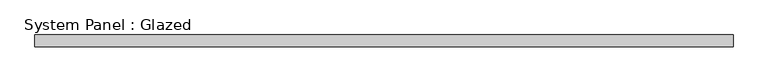
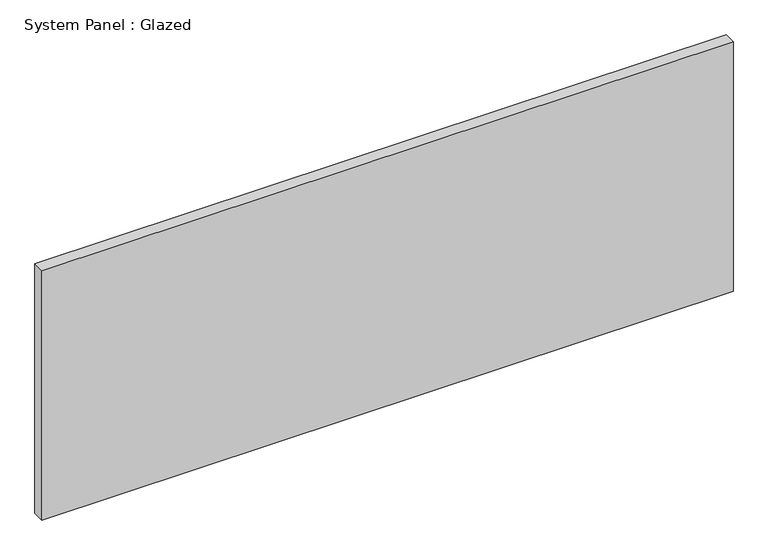
"""IFC4 building model written with IfcOpenShell, lengths in millimetres: plate geometry, System Panel : Glazed."""

from ifc_helpers import new_model, si_unit, origin, origin_with_axes, place, context, project, spatial, polyline, outline, extrude, source, transform, mapped, element, save


def system_panel_glazed_c0d17033(model_context):
    return source(origin(), model_context, "Body", "SweptSolid", [
        extrude(outline(polyline([(749.3, 19.05), (-749.3, 19.05), (-749.3, 44.45), (749.3, 44.45), (749.3, 19.05)])), origin_with_axes(), (0.0, 0.0, 1.0), 571.5),
    ])


if __name__ == "__main__":
    model = new_model("IFC4")
    model_context = context("Model", 3, world=origin())
    ifc_project = project(units=[si_unit("LENGTHUNIT", "METRE", prefix="MILLI")], contexts=[model_context])
    site = spatial("IfcSite", under=ifc_project)
    building = spatial("IfcBuilding", under=site)
    placement = place(None, origin())
    system_panel_glazed_shape = system_panel_glazed_c0d17033(model_context)
    element("IfcPlate", 1, ObjectType="System Panel : Glazed", at=placement, inside=building, context=model_context, shape_type="MappedRepresentation", body=[
        mapped(system_panel_glazed_shape, transform((0.0, 0.0, 0.0), x_axis=(1.0, 0.0, 0.0), y_axis=(0.0, 1.0, 0.0), z_axis=(0.0, 0.0, 1.0))),
    ])
    save(model, "model.ifc")
